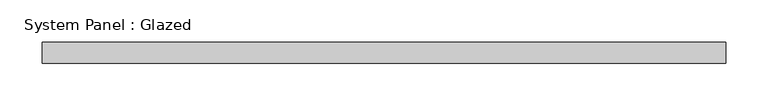
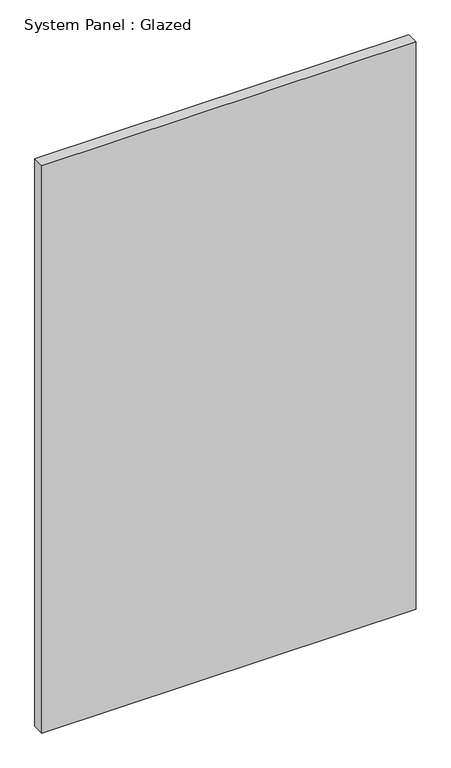
"""IFC4 building model written with IfcOpenShell, lengths in millimetres: plate geometry, System Panel : Glazed."""

import ifcopenshell
import ifcopenshell.guid

model = None  # the IFC model being written
_history = None  # IfcOwnerHistory: only IFC2X3 demands one
_inside = {}  # id of a spatial element -> (the spatial element, [elements in it])
_under = {}  # id of a project, library or spatial element -> (it, [spatial elements below it])
_declared = {}  # id of a project -> (the project, [libraries it declares])
_typed = {}  # id of a type object -> (the type object, [elements of that type])
_made_of = {}  # id of a material, layer set ... -> (it, [elements and type objects made of it])


def new_model(schema):
    """Start an empty IFC model of exactly this schema.

    Asked for "IFC4X3", IfcOpenShell would pick the latest addendum, in which some entities
    have other attributes; the version numbers below select the first issue.
    IFC2X3 requires an IfcOwnerHistory on every rooted entity: one is made here for all.
    """
    global model, _history
    if schema == "IFC4X3":
        model = ifcopenshell.file(schema_version=(4, 3, 0, 0))
    else:
        model = ifcopenshell.file(schema=schema)
    _inside.clear()
    _under.clear()
    _declared.clear()
    _typed.clear()
    _made_of.clear()
    _history = None
    if model.schema == "IFC2X3":
        org = make("IfcOrganization", Name="unknown")
        user = make(
            "IfcPersonAndOrganization",
            ThePerson=make("IfcPerson", FamilyName="unknown"),
            TheOrganization=org,
        )
        app = make(
            "IfcApplication",
            ApplicationDeveloper=org,
            Version="unknown",
            ApplicationFullName="unknown",
            ApplicationIdentifier="unknown",
        )
        _history = make(
            "IfcOwnerHistory",
            OwningUser=user,
            OwningApplication=app,
            ChangeAction="ADDED",
            CreationDate=0,
        )
    return model


def make(cls, **values):
    """One entity of the class cls with the attributes given. An attribute that is None is left unset."""
    return model.create_entity(
        cls, **{name: value for name, value in values.items() if value is not None}
    )


def rooted(cls, **values):
    """An entity with a GlobalId (a new one), such as an element, a storey or a relation."""
    return make(cls, GlobalId=ifcopenshell.guid.new(), OwnerHistory=_history, **values)


def si_unit(unit_type, name, prefix=None):
    """IfcSIUnit, for example si_unit("LENGTHUNIT", "METRE", prefix="MILLI")."""
    return make("IfcSIUnit", UnitType=unit_type, Prefix=prefix, Name=name)


def assignment(units):
    """IfcUnitAssignment: the units of a project."""
    return None if units is None else make("IfcUnitAssignment", Units=units)


def point(xyz):
    """IfcCartesianPoint."""
    return None if xyz is None else make("IfcCartesianPoint", Coordinates=xyz)


def direction(xyz):
    """IfcDirection."""
    return None if xyz is None else make("IfcDirection", DirectionRatios=xyz)


def frame(location, z_axis=None, x_axis=None):
    """IfcAxis2Placement3D, a coordinate frame: its origin and axes. An axis left out is left unset."""
    return make(
        "IfcAxis2Placement3D",
        Location=point(location),
        Axis=direction(z_axis),
        RefDirection=direction(x_axis),
    )


def origin():
    """The frame at (0, 0, 0) with its axes left unset."""
    return frame((0.0, 0.0, 0.0))


def origin_with_axes():
    """The frame at (0, 0, 0) with the z axis (0, 0, 1) and the x axis (1, 0, 0) written out."""
    return frame((0.0, 0.0, 0.0), z_axis=(0.0, 0.0, 1.0), x_axis=(1.0, 0.0, 0.0))


def place(relative_to, where):
    """IfcLocalPlacement: puts the frame where relative to a parent placement (None: the world)."""
    return make(
        "IfcLocalPlacement", PlacementRelTo=relative_to, RelativePlacement=where
    )


def context(
    kind, dimensions, precision=None, world=None, true_north=None, identifier=None
):
    """IfcGeometricRepresentationContext, for example the 3D "Model" context."""
    return make(
        "IfcGeometricRepresentationContext",
        ContextIdentifier=identifier,
        ContextType=kind,
        CoordinateSpaceDimension=dimensions,
        Precision=precision,
        WorldCoordinateSystem=world,
        TrueNorth=true_north,
    )


def project(units=None, contexts=None):
    """IfcProject with its units and contexts."""
    return rooted(
        "IfcProject",
        Name="project",
        RepresentationContexts=contexts,
        UnitsInContext=assignment(units),
    )


def spatial(cls, under=None, at=None, **own):
    """A site, building, storey or space (cls), placed at a placement, below another one or the project."""
    s = rooted(cls, ObjectPlacement=at, **own)
    if under is not None:
        _under.setdefault(under.id(), (under, []))[1].append(s)
    return s


def polyline(points):
    """IfcPolyline through the points."""
    return make("IfcPolyline", Points=[point(p) for p in points])


def outline(outer, holes=None, kind="AREA"):
    """IfcArbitraryClosedProfileDef: a profile drawn as a closed curve; with holes, ...WithVoids."""
    if holes is None:
        return make("IfcArbitraryClosedProfileDef", ProfileType=kind, OuterCurve=outer)
    return make(
        "IfcArbitraryProfileDefWithVoids",
        ProfileType=kind,
        OuterCurve=outer,
        InnerCurves=holes,
    )


def extrude(swept, where, along, depth):
    """IfcExtrudedAreaSolid: the profile swept, set in the frame where, extruded along a direction by depth."""
    return make(
        "IfcExtrudedAreaSolid",
        SweptArea=swept,
        Position=where,
        ExtrudedDirection=direction(along),
        Depth=depth,
    )


def shape(context_of_items, identifier, shape_type, items):
    """IfcShapeRepresentation: the items that make up one representation, for example the "Body"."""
    return make(
        "IfcShapeRepresentation",
        ContextOfItems=context_of_items,
        RepresentationIdentifier=identifier,
        RepresentationType=shape_type,
        Items=items,
    )


def source(mapping_origin, context_of_items, identifier, shape_type, items):
    """IfcRepresentationMap: a shape defined once, which mapped items show again and again."""
    return make(
        "IfcRepresentationMap",
        MappingOrigin=mapping_origin,
        MappedRepresentation=shape(context_of_items, identifier, shape_type, items),
    )


def transform(
    local_origin,
    x_axis=None,
    y_axis=None,
    z_axis=None,
    scale=None,
    scale2=None,
    scale3=None,
    uniform=True,
):
    """IfcCartesianTransformationOperator3D, or its non-uniform kind. x_axis, y_axis, z_axis: its Axis1, 2, 3."""
    if uniform:
        return make(
            "IfcCartesianTransformationOperator3D",
            Axis1=direction(x_axis),
            Axis2=direction(y_axis),
            LocalOrigin=point(local_origin),
            Scale=scale,
            Axis3=direction(z_axis),
        )
    return make(
        "IfcCartesianTransformationOperator3DnonUniform",
        Axis1=direction(x_axis),
        Axis2=direction(y_axis),
        LocalOrigin=point(local_origin),
        Scale=scale,
        Axis3=direction(z_axis),
        Scale2=scale2,
        Scale3=scale3,
    )


def mapped(mapping_source, mapping_target):
    """IfcMappedItem: shows the shape of a source again, moved by a transform."""
    return make(
        "IfcMappedItem", MappingSource=mapping_source, MappingTarget=mapping_target
    )


def made_of(thing, what):
    """Note that an element or type object is made of a material, layer set ...; save() writes the relation."""
    if what is not None:
        _made_of.setdefault(what.id(), (what, []))[1].append(thing)
    return thing


def element(
    cls,
    number,
    at=None,
    inside=None,
    cuts=None,
    type_object=None,
    material=None,
    context=None,
    identifier="Body",
    shape_type=None,
    held_by="IfcProductDefinitionShape",
    body=None,
    shapes=None,
    **own,
):
    """One element of the class cls, such as IfcWall. Its Tag is "e" and its number.

    at: its placement. inside: the storey or other place that contains it. cuts: it is an
    opening in that element (IfcRelVoidsElement). A single representation is given by context,
    identifier, shape_type and body (its items); several are given by shapes. held_by: the class
    of the entity that holds the representations. save() writes the other relations.
    """
    e = rooted(cls, Tag="e%d" % number, ObjectPlacement=at, **own)
    if body is not None:
        shapes = [shape(context, identifier, shape_type, body)]
    if shapes is not None:
        e.Representation = make(held_by, Representations=shapes)
    if inside is not None:
        _inside.setdefault(inside.id(), (inside, []))[1].append(e)
    if cuts is not None:
        rooted(
            "IfcRelVoidsElement", RelatingBuildingElement=cuts, RelatedOpeningElement=e
        )
    if type_object is not None:
        _typed.setdefault(type_object.id(), (type_object, []))[1].append(e)
    return made_of(e, material)


def aggregate(whole, parts):
    """IfcRelAggregates: a whole, such as a stair, and the parts it consists of."""
    return rooted("IfcRelAggregates", RelatingObject=whole, RelatedObjects=parts)


def save(model, path):
    """Write the relations noted so far, then the file.

    IfcRelAggregates (storeys below a building ...), IfcRelContainedInSpatialStructure (elements
    in a storey), IfcRelDefinesByType, IfcRelAssociatesMaterial and IfcRelDeclares: one each for
    every whole, place, type object, material and project.
    """
    for whole, parts in _under.values():
        aggregate(whole, parts)
    for where, things in _inside.values():
        rooted(
            "IfcRelContainedInSpatialStructure",
            RelatedElements=things,
            RelatingStructure=where,
        )
    for kind, things in _typed.values():
        rooted("IfcRelDefinesByType", RelatedObjects=things, RelatingType=kind)
    for what, things in _made_of.values():
        rooted("IfcRelAssociatesMaterial", RelatedObjects=things, RelatingMaterial=what)
    for by, libraries in _declared.values():
        rooted("IfcRelDeclares", RelatingContext=by, RelatedDefinitions=libraries)
    model.write(path)


def system_panel_glazed_88fc7ec2(model_context):
    return source(origin(), model_context, "Body", "SweptSolid", [
        extrude(outline(polyline([(406.4, -12.7), (-406.4, -12.7), (-406.4, 12.7), (406.4, 12.7), (406.4, -12.7)])), origin_with_axes(), (0.0, 0.0, 1.0), 1301.75),
    ])


if __name__ == "__main__":
    model = new_model("IFC4")
    model_context = context("Model", 3, world=origin())
    ifc_project = project(units=[si_unit("LENGTHUNIT", "METRE", prefix="MILLI")], contexts=[model_context])
    site = spatial("IfcSite", under=ifc_project)
    building = spatial("IfcBuilding", under=site)
    placement = place(None, origin())
    system_panel_glazed_shape = system_panel_glazed_88fc7ec2(model_context)
    element("IfcPlate", 1, ObjectType="System Panel : Glazed", at=placement, inside=building, context=model_context, shape_type="MappedRepresentation", body=[
        mapped(system_panel_glazed_shape, transform((0.0, 0.0, 0.0), x_axis=(1.0, 0.0, 0.0), y_axis=(0.0, 1.0, 0.0), z_axis=(0.0, 0.0, 1.0))),
    ])
    save(model, "model.ifc")
